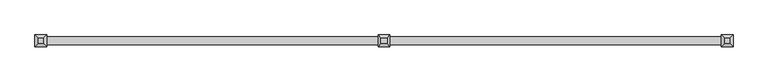
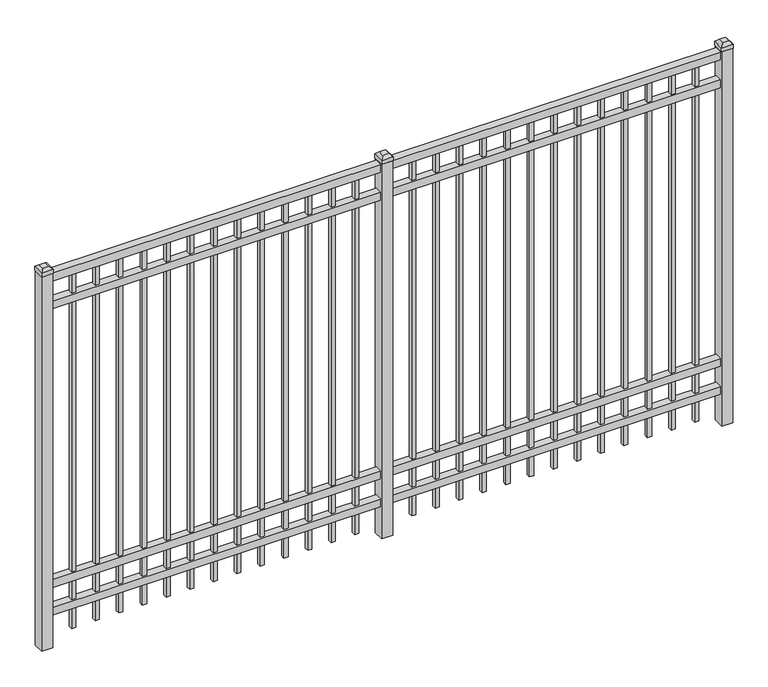
"""IFC4 building model written with IfcOpenShell, lengths in millimetres: railing geometry."""

from ifc_helpers import new_model, si_unit, frame, origin, origin_with_axes, place, context, project, spatial, polyline, outline, extrude, faceted_brep, source, transform, mapped, element, save


def railing_0b2fb9fd(model_context):
    return source(origin(), model_context, "Body", "SolidModel", [
        extrude(outline(polyline([(-67441.318087, -9187.1195174), (-67441.318087, -9152.1945174), (-64291.718087, -9152.1945174), (-64291.718087, -9187.1195174), (-67441.318087, -9187.1195174)])), frame((0.0, 0.0, 1790.7), z_axis=(0.0, 0.0, 1.0), x_axis=(1.0, 0.0, 0.0)), (0.0, 0.0, 1.0), 38.1),
        extrude(outline(polyline([(-67441.318087, -9187.1195174), (-67441.318087, -9152.1945174), (-64291.718087, -9152.1945174), (-64291.718087, -9187.1195174), (-67441.318087, -9187.1195174)])), frame((0.0, 0.0, 1654.175), z_axis=(0.0, 0.0, 1.0), x_axis=(1.0, 0.0, 0.0)), (0.0, 0.0, 1.0), 38.1),
        extrude(outline(polyline([(-67441.318087, -9187.1195174), (-67441.318087, -9152.1945174), (-64291.718087, -9152.1945174), (-64291.718087, -9187.1195174), (-67441.318087, -9187.1195174)])), frame((0.0, 0.0, 288.925), z_axis=(0.0, 0.0, 1.0), x_axis=(1.0, 0.0, 0.0)), (0.0, 0.0, 1.0), 38.1),
        extrude(outline(polyline([(-67441.318087, -9187.1195174), (-67441.318087, -9152.1945174), (-64291.718087, -9152.1945174), (-64291.718087, -9187.1195174), (-67441.318087, -9187.1195174)])), frame((0.0, 0.0, 152.4), z_axis=(0.0, 0.0, 1.0), x_axis=(1.0, 0.0, 0.0)), (0.0, 0.0, 1.0), 38.1),
        extrude(outline(polyline([(-64523.2285036, -9160.1320174), (-64523.2285036, -9179.1820174), (-64542.2785036, -9179.1820174), (-64542.2785036, -9160.1320174), (-64523.2285036, -9160.1320174)])), frame((0.0, 0.0, 50.8), z_axis=(0.0, 0.0, 1.0), x_axis=(1.0, 0.0, 0.0)), (0.0, 0.0, 1.0), 1739.9),
        extrude(outline(polyline([(-64632.5014203, -9160.1320174), (-64632.5014203, -9179.1820174), (-64651.5514203, -9179.1820174), (-64651.5514203, -9160.1320174), (-64632.5014203, -9160.1320174)])), frame((0.0, 0.0, 50.8), z_axis=(0.0, 0.0, 1.0), x_axis=(1.0, 0.0, 0.0)), (0.0, 0.0, 1.0), 1739.9),
        extrude(outline(polyline([(-64741.774337, -9160.1320174), (-64741.774337, -9179.1820174), (-64760.824337, -9179.1820174), (-64760.824337, -9160.1320174), (-64741.774337, -9160.1320174)])), frame((0.0, 0.0, 50.8), z_axis=(0.0, 0.0, 1.0), x_axis=(1.0, 0.0, 0.0)), (0.0, 0.0, 1.0), 1739.9),
        extrude(outline(polyline([(-64851.0472536, -9160.1320174), (-64851.0472536, -9179.1820174), (-64870.0972536, -9179.1820174), (-64870.0972536, -9160.1320174), (-64851.0472536, -9160.1320174)])), frame((0.0, 0.0, 50.8), z_axis=(0.0, 0.0, 1.0), x_axis=(1.0, 0.0, 0.0)), (0.0, 0.0, 1.0), 1739.9),
        extrude(outline(polyline([(-64960.3201703, -9160.1320174), (-64960.3201703, -9179.1820174), (-64979.3701703, -9179.1820174), (-64979.3701703, -9160.1320174), (-64960.3201703, -9160.1320174)])), frame((0.0, 0.0, 50.8), z_axis=(0.0, 0.0, 1.0), x_axis=(1.0, 0.0, 0.0)), (0.0, 0.0, 1.0), 1739.9),
        extrude(outline(polyline([(-65069.593087, -9160.1320174), (-65069.593087, -9179.1820174), (-65088.643087, -9179.1820174), (-65088.643087, -9160.1320174), (-65069.593087, -9160.1320174)])), frame((0.0, 0.0, 50.8), z_axis=(0.0, 0.0, 1.0), x_axis=(1.0, 0.0, 0.0)), (0.0, 0.0, 1.0), 1739.9),
        extrude(outline(polyline([(-65178.8660036, -9160.1320174), (-65178.8660036, -9179.1820174), (-65197.9160036, -9179.1820174), (-65197.9160036, -9160.1320174), (-65178.8660036, -9160.1320174)])), frame((0.0, 0.0, 50.8), z_axis=(0.0, 0.0, 1.0), x_axis=(1.0, 0.0, 0.0)), (0.0, 0.0, 1.0), 1739.9),
        extrude(outline(polyline([(-65288.1389203, -9160.1320174), (-65288.1389203, -9179.1820174), (-65307.1889203, -9179.1820174), (-65307.1889203, -9160.1320174), (-65288.1389203, -9160.1320174)])), frame((0.0, 0.0, 50.8), z_axis=(0.0, 0.0, 1.0), x_axis=(1.0, 0.0, 0.0)), (0.0, 0.0, 1.0), 1739.9),
        extrude(outline(polyline([(-65397.411837, -9160.1320174), (-65397.411837, -9179.1820174), (-65416.461837, -9179.1820174), (-65416.461837, -9160.1320174), (-65397.411837, -9160.1320174)])), frame((0.0, 0.0, 50.8), z_axis=(0.0, 0.0, 1.0), x_axis=(1.0, 0.0, 0.0)), (0.0, 0.0, 1.0), 1739.9),
        extrude(outline(polyline([(-65506.6847536, -9160.1320174), (-65506.6847536, -9179.1820174), (-65525.7347536, -9179.1820174), (-65525.7347536, -9160.1320174), (-65506.6847536, -9160.1320174)])), frame((0.0, 0.0, 50.8), z_axis=(0.0, 0.0, 1.0), x_axis=(1.0, 0.0, 0.0)), (0.0, 0.0, 1.0), 1739.9),
        extrude(outline(polyline([(-65615.9576703, -9160.1320174), (-65615.9576703, -9179.1820174), (-65635.0076703, -9179.1820174), (-65635.0076703, -9160.1320174), (-65615.9576703, -9160.1320174)])), frame((0.0, 0.0, 50.8), z_axis=(0.0, 0.0, 1.0), x_axis=(1.0, 0.0, 0.0)), (0.0, 0.0, 1.0), 1739.9),
        extrude(outline(polyline([(-64413.955587, -9160.1320174), (-64413.955587, -9179.1820174), (-64433.005587, -9179.1820174), (-64433.005587, -9160.1320174), (-64413.955587, -9160.1320174)])), frame((0.0, 0.0, 50.8), z_axis=(0.0, 0.0, 1.0), x_axis=(1.0, 0.0, 0.0)), (0.0, 0.0, 1.0), 1739.9),
        extrude(outline(polyline([(-65725.230587, -9160.1320174), (-65725.230587, -9179.1820174), (-65744.280587, -9179.1820174), (-65744.280587, -9160.1320174), (-65725.230587, -9160.1320174)])), frame((0.0, 0.0, 50.8), z_axis=(0.0, 0.0, 1.0), x_axis=(1.0, 0.0, 0.0)), (0.0, 0.0, 1.0), 1739.9),
        extrude(outline(polyline([(-65841.118087, -9144.2570174), (-65841.118087, -9195.0570174), (-65891.918087, -9195.0570174), (-65891.918087, -9144.2570174), (-65841.118087, -9144.2570174)])), origin_with_axes(), (0.0, 0.0, 1.0), 1835.15),
        faceted_brep([(-65893.505587, -9142.6695174, 1854.2), (-65893.505587, -9142.6695174, 1835.15), (-65893.505587, -9196.6445174, 1835.15), (-65893.505587, -9196.6445174, 1854.2), (-65880.805587, -9155.3695174, 1866.9), (-65880.805587, -9183.9445174, 1866.9), (-65839.530587, -9196.6445174, 1835.15), (-65839.530587, -9196.6445174, 1854.2), (-65852.230587, -9183.9445174, 1866.9), (-65839.530587, -9142.6695174, 1835.15), (-65839.530587, -9142.6695174, 1854.2), (-65852.230587, -9155.3695174, 1866.9)], [[[0, 1, 2, 3]], [[4, 0, 3, 5]], [[3, 2, 6, 7]], [[5, 3, 7, 8]], [[7, 6, 9, 10]], [[8, 7, 10, 11]], [[10, 9, 1, 0]], [[11, 10, 0, 4]], [[5, 8, 11, 4]], [[1, 9, 6, 2]]]),
        extrude(outline(polyline([(-66098.0285036, -9160.1320174), (-66098.0285036, -9179.1820174), (-66117.0785036, -9179.1820174), (-66117.0785036, -9160.1320174), (-66098.0285036, -9160.1320174)])), frame((0.0, 0.0, 50.8), z_axis=(0.0, 0.0, 1.0), x_axis=(1.0, 0.0, 0.0)), (0.0, 0.0, 1.0), 1739.9),
        extrude(outline(polyline([(-66207.3014203, -9160.1320174), (-66207.3014203, -9179.1820174), (-66226.3514203, -9179.1820174), (-66226.3514203, -9160.1320174), (-66207.3014203, -9160.1320174)])), frame((0.0, 0.0, 50.8), z_axis=(0.0, 0.0, 1.0), x_axis=(1.0, 0.0, 0.0)), (0.0, 0.0, 1.0), 1739.9),
        extrude(outline(polyline([(-66316.574337, -9160.1320174), (-66316.574337, -9179.1820174), (-66335.624337, -9179.1820174), (-66335.624337, -9160.1320174), (-66316.574337, -9160.1320174)])), frame((0.0, 0.0, 50.8), z_axis=(0.0, 0.0, 1.0), x_axis=(1.0, 0.0, 0.0)), (0.0, 0.0, 1.0), 1739.9),
        extrude(outline(polyline([(-66425.8472536, -9160.1320174), (-66425.8472536, -9179.1820174), (-66444.8972536, -9179.1820174), (-66444.8972536, -9160.1320174), (-66425.8472536, -9160.1320174)])), frame((0.0, 0.0, 50.8), z_axis=(0.0, 0.0, 1.0), x_axis=(1.0, 0.0, 0.0)), (0.0, 0.0, 1.0), 1739.9),
        extrude(outline(polyline([(-66535.1201703, -9160.1320174), (-66535.1201703, -9179.1820174), (-66554.1701703, -9179.1820174), (-66554.1701703, -9160.1320174), (-66535.1201703, -9160.1320174)])), frame((0.0, 0.0, 50.8), z_axis=(0.0, 0.0, 1.0), x_axis=(1.0, 0.0, 0.0)), (0.0, 0.0, 1.0), 1739.9),
        extrude(outline(polyline([(-66644.393087, -9160.1320174), (-66644.393087, -9179.1820174), (-66663.443087, -9179.1820174), (-66663.443087, -9160.1320174), (-66644.393087, -9160.1320174)])), frame((0.0, 0.0, 50.8), z_axis=(0.0, 0.0, 1.0), x_axis=(1.0, 0.0, 0.0)), (0.0, 0.0, 1.0), 1739.9),
        extrude(outline(polyline([(-66753.6660036, -9160.1320174), (-66753.6660036, -9179.1820174), (-66772.7160036, -9179.1820174), (-66772.7160036, -9160.1320174), (-66753.6660036, -9160.1320174)])), frame((0.0, 0.0, 50.8), z_axis=(0.0, 0.0, 1.0), x_axis=(1.0, 0.0, 0.0)), (0.0, 0.0, 1.0), 1739.9),
        extrude(outline(polyline([(-66862.9389203, -9160.1320174), (-66862.9389203, -9179.1820174), (-66881.9889203, -9179.1820174), (-66881.9889203, -9160.1320174), (-66862.9389203, -9160.1320174)])), frame((0.0, 0.0, 50.8), z_axis=(0.0, 0.0, 1.0), x_axis=(1.0, 0.0, 0.0)), (0.0, 0.0, 1.0), 1739.9),
        extrude(outline(polyline([(-66972.211837, -9160.1320174), (-66972.211837, -9179.1820174), (-66991.261837, -9179.1820174), (-66991.261837, -9160.1320174), (-66972.211837, -9160.1320174)])), frame((0.0, 0.0, 50.8), z_axis=(0.0, 0.0, 1.0), x_axis=(1.0, 0.0, 0.0)), (0.0, 0.0, 1.0), 1739.9),
        extrude(outline(polyline([(-67081.4847536, -9160.1320174), (-67081.4847536, -9179.1820174), (-67100.5347536, -9179.1820174), (-67100.5347536, -9160.1320174), (-67081.4847536, -9160.1320174)])), frame((0.0, 0.0, 50.8), z_axis=(0.0, 0.0, 1.0), x_axis=(1.0, 0.0, 0.0)), (0.0, 0.0, 1.0), 1739.9),
        extrude(outline(polyline([(-67190.7576703, -9160.1320174), (-67190.7576703, -9179.1820174), (-67209.8076703, -9179.1820174), (-67209.8076703, -9160.1320174), (-67190.7576703, -9160.1320174)])), frame((0.0, 0.0, 50.8), z_axis=(0.0, 0.0, 1.0), x_axis=(1.0, 0.0, 0.0)), (0.0, 0.0, 1.0), 1739.9),
        extrude(outline(polyline([(-65988.755587, -9160.1320174), (-65988.755587, -9179.1820174), (-66007.805587, -9179.1820174), (-66007.805587, -9160.1320174), (-65988.755587, -9160.1320174)])), frame((0.0, 0.0, 50.8), z_axis=(0.0, 0.0, 1.0), x_axis=(1.0, 0.0, 0.0)), (0.0, 0.0, 1.0), 1739.9),
        extrude(outline(polyline([(-67300.030587, -9160.1320174), (-67300.030587, -9179.1820174), (-67319.080587, -9179.1820174), (-67319.080587, -9160.1320174), (-67300.030587, -9160.1320174)])), frame((0.0, 0.0, 50.8), z_axis=(0.0, 0.0, 1.0), x_axis=(1.0, 0.0, 0.0)), (0.0, 0.0, 1.0), 1739.9),
        extrude(outline(polyline([(-64266.318087, -9144.2570174), (-64266.318087, -9195.0570174), (-64317.118087, -9195.0570174), (-64317.118087, -9144.2570174), (-64266.318087, -9144.2570174)])), origin_with_axes(), (0.0, 0.0, 1.0), 1835.15),
        faceted_brep([(-64318.705587, -9142.6695174, 1854.2), (-64318.705587, -9142.6695174, 1835.15), (-64318.705587, -9196.6445174, 1835.15), (-64318.705587, -9196.6445174, 1854.2), (-64306.005587, -9155.3695174, 1866.9), (-64306.005587, -9183.9445174, 1866.9), (-64264.730587, -9196.6445174, 1835.15), (-64264.730587, -9196.6445174, 1854.2), (-64277.430587, -9183.9445174, 1866.9), (-64264.730587, -9142.6695174, 1835.15), (-64264.730587, -9142.6695174, 1854.2), (-64277.430587, -9155.3695174, 1866.9)], [[[0, 1, 2, 3]], [[4, 0, 3, 5]], [[3, 2, 6, 7]], [[5, 3, 7, 8]], [[7, 6, 9, 10]], [[8, 7, 10, 11]], [[10, 9, 1, 0]], [[11, 10, 0, 4]], [[5, 8, 11, 4]], [[1, 9, 6, 2]]]),
        extrude(outline(polyline([(-67415.918087, -9144.2570174), (-67415.918087, -9195.0570174), (-67466.718087, -9195.0570174), (-67466.718087, -9144.2570174), (-67415.918087, -9144.2570174)])), origin_with_axes(), (0.0, 0.0, 1.0), 1835.15),
        faceted_brep([(-67468.305587, -9142.6695174, 1854.2), (-67468.305587, -9142.6695174, 1835.15), (-67468.305587, -9196.6445174, 1835.15), (-67468.305587, -9196.6445174, 1854.2), (-67455.605587, -9155.3695174, 1866.9), (-67455.605587, -9183.9445174, 1866.9), (-67414.330587, -9196.6445174, 1835.15), (-67414.330587, -9196.6445174, 1854.2), (-67427.030587, -9183.9445174, 1866.9), (-67414.330587, -9142.6695174, 1835.15), (-67414.330587, -9142.6695174, 1854.2), (-67427.030587, -9155.3695174, 1866.9)], [[[0, 1, 2, 3]], [[4, 0, 3, 5]], [[3, 2, 6, 7]], [[5, 3, 7, 8]], [[7, 6, 9, 10]], [[8, 7, 10, 11]], [[10, 9, 1, 0]], [[11, 10, 0, 4]], [[5, 8, 11, 4]], [[1, 9, 6, 2]]]),
    ])


if __name__ == "__main__":
    model = new_model("IFC4")
    model_context = context("Model", 3, world=origin())
    ifc_project = project(units=[si_unit("LENGTHUNIT", "METRE", prefix="MILLI")], contexts=[model_context])
    site = spatial("IfcSite", under=ifc_project)
    building = spatial("IfcBuilding", under=site)
    placement = place(None, origin())
    railing_shape = railing_0b2fb9fd(model_context)
    element("IfcRailing", 1, at=placement, inside=building, context=model_context, shape_type="MappedRepresentation", body=[
        mapped(railing_shape, transform((0.0, 0.0, 0.0), x_axis=(1.0, 0.0, 0.0), y_axis=(0.0, 1.0, 0.0), z_axis=(0.0, 0.0, 1.0))),
    ])
    save(model, "model.ifc")
